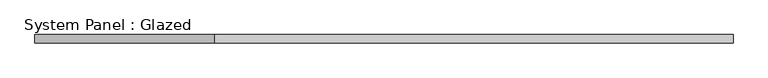
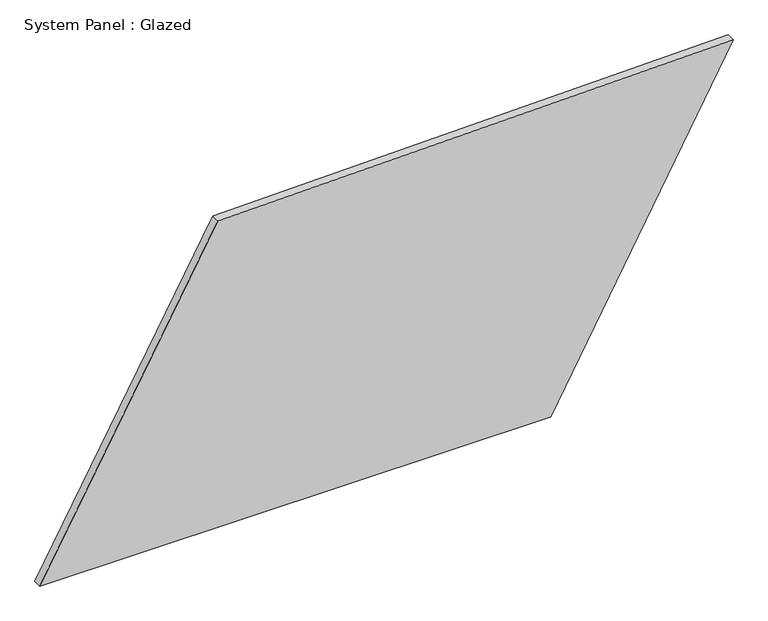
"""IFC4 building model written with IfcOpenShell, lengths in millimetres: plate geometry, System Panel : Glazed."""

from ifc_helpers import new_model, si_unit, frame, origin, place, context, project, spatial, polyline, outline, extrude, source, transform, mapped, element, save


def system_panel_glazed_fe048141(model_context):
    return source(origin(), model_context, "Body", "SweptSolid", [
        extrude(outline(polyline([(0.0, -1045.2267573), (0.0, 495.9429333), (1011.3523175, 1045.2267573), (976.690232, -508.7579458), (0.0, -1045.2267573)])), frame((0.0, -49.5, 0.0), z_axis=(0.0, 1.0, 0.0), x_axis=(0.0, 0.0, 1.0)), (0.0, 0.0, 1.0), 25.0),
    ])


if __name__ == "__main__":
    model = new_model("IFC4")
    model_context = context("Model", 3, world=origin())
    ifc_project = project(units=[si_unit("LENGTHUNIT", "METRE", prefix="MILLI")], contexts=[model_context])
    site = spatial("IfcSite", under=ifc_project)
    building = spatial("IfcBuilding", under=site)
    placement = place(None, origin())
    system_panel_glazed_shape = system_panel_glazed_fe048141(model_context)
    element("IfcPlate", 1, ObjectType="System Panel : Glazed", at=placement, inside=building, context=model_context, shape_type="MappedRepresentation", body=[
        mapped(system_panel_glazed_shape, transform((0.0, 0.0, 0.0), x_axis=(1.0, 0.0, 0.0), y_axis=(0.0, 1.0, 0.0), z_axis=(0.0, 0.0, 1.0))),
    ])
    save(model, "model.ifc")
